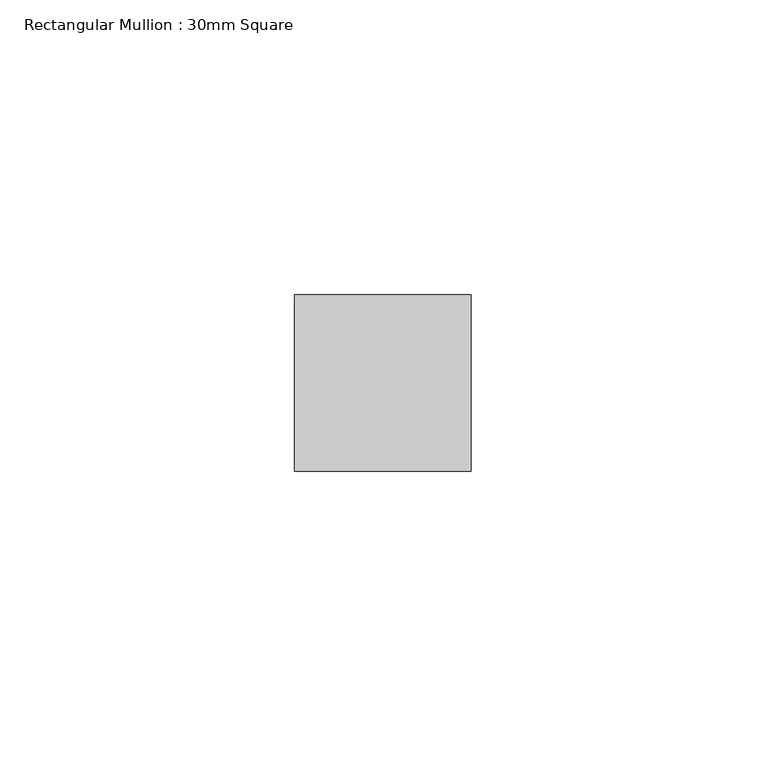
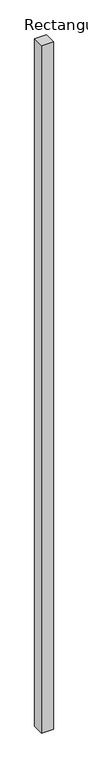
"""IFC4 building model written with IfcOpenShell, lengths in millimetres: member geometry, Rectangular Mullion : 30mm Square."""

from ifc_helpers import new_model, si_unit, frame, origin, place, context, project, spatial, polyline, outline, extrude, source, transform, mapped, element, save


def rectangular_mullion_30mm_square_7984c69b(model_context):
    return source(origin(), model_context, "Body", "SweptSolid", [
        extrude(outline(polyline([(0.0, 15.0), (0.0, -15.0), (-30.0, -15.0), (-30.0, 15.0), (0.0, 15.0)])), frame((0.0, 0.0, -1841.4747805), z_axis=(0.0, 0.0, 1.0), x_axis=(1.0, 0.0, 0.0)), (0.0, 0.0, 1.0), 1841.4747805),
    ])


if __name__ == "__main__":
    model = new_model("IFC4")
    model_context = context("Model", 3, world=origin())
    ifc_project = project(units=[si_unit("LENGTHUNIT", "METRE", prefix="MILLI")], contexts=[model_context])
    site = spatial("IfcSite", under=ifc_project)
    building = spatial("IfcBuilding", under=site)
    placement = place(None, origin())
    rectangular_mullion_30mm_square_shape = rectangular_mullion_30mm_square_7984c69b(model_context)
    element("IfcMember", 1, ObjectType="Rectangular Mullion : 30mm Square", at=placement, inside=building, context=model_context, shape_type="MappedRepresentation", body=[
        mapped(rectangular_mullion_30mm_square_shape, transform((0.0, 0.0, 0.0), x_axis=(1.0, 0.0, 0.0), y_axis=(0.0, 1.0, 0.0), z_axis=(0.0, 0.0, 1.0))),
    ])
    save(model, "model.ifc")
